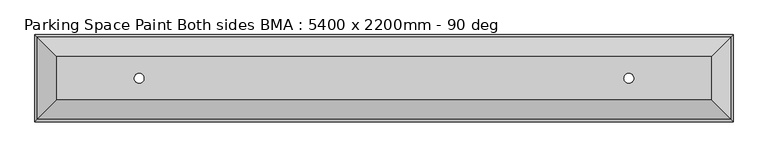
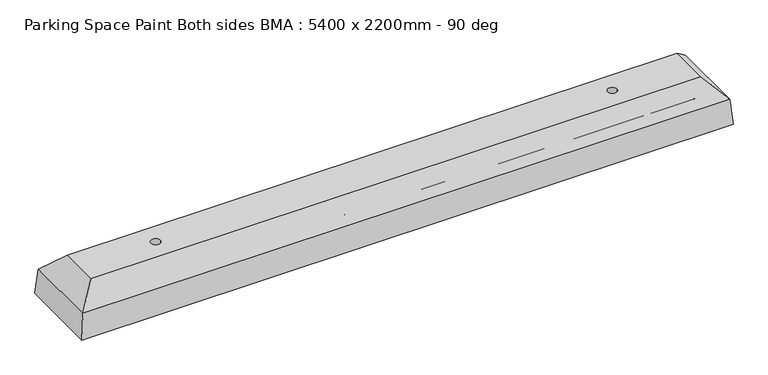
"""IFC4 building model written with IfcOpenShell, lengths in millimetres: proxy geometry, Parking Space Paint Both sides BMA : 5400 x 2200mm - 90 deg."""

import ifcopenshell
import ifcopenshell.guid

model = None  # the IFC model being written
_history = None  # IfcOwnerHistory: only IFC2X3 demands one
_inside = {}  # id of a spatial element -> (the spatial element, [elements in it])
_under = {}  # id of a project, library or spatial element -> (it, [spatial elements below it])
_declared = {}  # id of a project -> (the project, [libraries it declares])
_typed = {}  # id of a type object -> (the type object, [elements of that type])
_made_of = {}  # id of a material, layer set ... -> (it, [elements and type objects made of it])


def new_model(schema):
    """Start an empty IFC model of exactly this schema.

    Asked for "IFC4X3", IfcOpenShell would pick the latest addendum, in which some entities
    have other attributes; the version numbers below select the first issue.
    IFC2X3 requires an IfcOwnerHistory on every rooted entity: one is made here for all.
    """
    global model, _history
    if schema == "IFC4X3":
        model = ifcopenshell.file(schema_version=(4, 3, 0, 0))
    else:
        model = ifcopenshell.file(schema=schema)
    _inside.clear()
    _under.clear()
    _declared.clear()
    _typed.clear()
    _made_of.clear()
    _history = None
    if model.schema == "IFC2X3":
        org = make("IfcOrganization", Name="unknown")
        user = make(
            "IfcPersonAndOrganization",
            ThePerson=make("IfcPerson", FamilyName="unknown"),
            TheOrganization=org,
        )
        app = make(
            "IfcApplication",
            ApplicationDeveloper=org,
            Version="unknown",
            ApplicationFullName="unknown",
            ApplicationIdentifier="unknown",
        )
        _history = make(
            "IfcOwnerHistory",
            OwningUser=user,
            OwningApplication=app,
            ChangeAction="ADDED",
            CreationDate=0,
        )
    return model


def make(cls, **values):
    """One entity of the class cls with the attributes given. An attribute that is None is left unset."""
    return model.create_entity(
        cls, **{name: value for name, value in values.items() if value is not None}
    )


def rooted(cls, **values):
    """An entity with a GlobalId (a new one), such as an element, a storey or a relation."""
    return make(cls, GlobalId=ifcopenshell.guid.new(), OwnerHistory=_history, **values)


def si_unit(unit_type, name, prefix=None):
    """IfcSIUnit, for example si_unit("LENGTHUNIT", "METRE", prefix="MILLI")."""
    return make("IfcSIUnit", UnitType=unit_type, Prefix=prefix, Name=name)


def assignment(units):
    """IfcUnitAssignment: the units of a project."""
    return None if units is None else make("IfcUnitAssignment", Units=units)


def point(xyz):
    """IfcCartesianPoint."""
    return None if xyz is None else make("IfcCartesianPoint", Coordinates=xyz)


def direction(xyz):
    """IfcDirection."""
    return None if xyz is None else make("IfcDirection", DirectionRatios=xyz)


def frame(location, z_axis=None, x_axis=None):
    """IfcAxis2Placement3D, a coordinate frame: its origin and axes. An axis left out is left unset."""
    return make(
        "IfcAxis2Placement3D",
        Location=point(location),
        Axis=direction(z_axis),
        RefDirection=direction(x_axis),
    )


def frame_2d(location, x_axis=None):
    """IfcAxis2Placement2D, a coordinate frame in the plane: its origin and x axis."""
    return make(
        "IfcAxis2Placement2D", Location=point(location), RefDirection=direction(x_axis)
    )


def origin():
    """The frame at (0, 0, 0) with its axes left unset."""
    return frame((0.0, 0.0, 0.0))


def place(relative_to, where):
    """IfcLocalPlacement: puts the frame where relative to a parent placement (None: the world)."""
    return make(
        "IfcLocalPlacement", PlacementRelTo=relative_to, RelativePlacement=where
    )


def context(
    kind, dimensions, precision=None, world=None, true_north=None, identifier=None
):
    """IfcGeometricRepresentationContext, for example the 3D "Model" context."""
    return make(
        "IfcGeometricRepresentationContext",
        ContextIdentifier=identifier,
        ContextType=kind,
        CoordinateSpaceDimension=dimensions,
        Precision=precision,
        WorldCoordinateSystem=world,
        TrueNorth=true_north,
    )


def project(units=None, contexts=None):
    """IfcProject with its units and contexts."""
    return rooted(
        "IfcProject",
        Name="project",
        RepresentationContexts=contexts,
        UnitsInContext=assignment(units),
    )


def spatial(cls, under=None, at=None, **own):
    """A site, building, storey or space (cls), placed at a placement, below another one or the project."""
    s = rooted(cls, ObjectPlacement=at, **own)
    if under is not None:
        _under.setdefault(under.id(), (under, []))[1].append(s)
    return s


def polyline(points):
    """IfcPolyline through the points."""
    return make("IfcPolyline", Points=[point(p) for p in points])


def circle_curve(where, radius):
    """IfcCircle in the frame where."""
    return make("IfcCircle", Position=where, Radius=radius)


def trimmed(basis, trim1, trim2, sense, master):
    """IfcTrimmedCurve: the piece of a basis curve between two trims."""
    return make(
        "IfcTrimmedCurve",
        BasisCurve=basis,
        Trim1=trim1,
        Trim2=trim2,
        SenseAgreement=sense,
        MasterRepresentation=master,
    )


def segment(curve, same_sense, transition):
    """IfcCompositeCurveSegment."""
    return make(
        "IfcCompositeCurveSegment",
        Transition=transition,
        SameSense=same_sense,
        ParentCurve=curve,
    )


def composite_curve(segments, self_intersect=None):
    """IfcCompositeCurve: segments joined end to end."""
    return make("IfcCompositeCurve", Segments=segments, SelfIntersect=self_intersect)


def outline(outer, holes=None, kind="AREA"):
    """IfcArbitraryClosedProfileDef: a profile drawn as a closed curve; with holes, ...WithVoids."""
    if holes is None:
        return make("IfcArbitraryClosedProfileDef", ProfileType=kind, OuterCurve=outer)
    return make(
        "IfcArbitraryProfileDefWithVoids",
        ProfileType=kind,
        OuterCurve=outer,
        InnerCurves=holes,
    )


def extrude(swept, where, along, depth):
    """IfcExtrudedAreaSolid: the profile swept, set in the frame where, extruded along a direction by depth."""
    return make(
        "IfcExtrudedAreaSolid",
        SweptArea=swept,
        Position=where,
        ExtrudedDirection=direction(along),
        Depth=depth,
    )


def shape(context_of_items, identifier, shape_type, items):
    """IfcShapeRepresentation: the items that make up one representation, for example the "Body"."""
    return make(
        "IfcShapeRepresentation",
        ContextOfItems=context_of_items,
        RepresentationIdentifier=identifier,
        RepresentationType=shape_type,
        Items=items,
    )


def source(mapping_origin, context_of_items, identifier, shape_type, items):
    """IfcRepresentationMap: a shape defined once, which mapped items show again and again."""
    return make(
        "IfcRepresentationMap",
        MappingOrigin=mapping_origin,
        MappedRepresentation=shape(context_of_items, identifier, shape_type, items),
    )


def transform(
    local_origin,
    x_axis=None,
    y_axis=None,
    z_axis=None,
    scale=None,
    scale2=None,
    scale3=None,
    uniform=True,
):
    """IfcCartesianTransformationOperator3D, or its non-uniform kind. x_axis, y_axis, z_axis: its Axis1, 2, 3."""
    if uniform:
        return make(
            "IfcCartesianTransformationOperator3D",
            Axis1=direction(x_axis),
            Axis2=direction(y_axis),
            LocalOrigin=point(local_origin),
            Scale=scale,
            Axis3=direction(z_axis),
        )
    return make(
        "IfcCartesianTransformationOperator3DnonUniform",
        Axis1=direction(x_axis),
        Axis2=direction(y_axis),
        LocalOrigin=point(local_origin),
        Scale=scale,
        Axis3=direction(z_axis),
        Scale2=scale2,
        Scale3=scale3,
    )


def mapped(mapping_source, mapping_target):
    """IfcMappedItem: shows the shape of a source again, moved by a transform."""
    return make(
        "IfcMappedItem", MappingSource=mapping_source, MappingTarget=mapping_target
    )


def made_of(thing, what):
    """Note that an element or type object is made of a material, layer set ...; save() writes the relation."""
    if what is not None:
        _made_of.setdefault(what.id(), (what, []))[1].append(thing)
    return thing


def element(
    cls,
    number,
    at=None,
    inside=None,
    cuts=None,
    type_object=None,
    material=None,
    context=None,
    identifier="Body",
    shape_type=None,
    held_by="IfcProductDefinitionShape",
    body=None,
    shapes=None,
    **own,
):
    """One element of the class cls, such as IfcWall. Its Tag is "e" and its number.

    at: its placement. inside: the storey or other place that contains it. cuts: it is an
    opening in that element (IfcRelVoidsElement). A single representation is given by context,
    identifier, shape_type and body (its items); several are given by shapes. held_by: the class
    of the entity that holds the representations. save() writes the other relations.
    """
    e = rooted(cls, Tag="e%d" % number, ObjectPlacement=at, **own)
    if body is not None:
        shapes = [shape(context, identifier, shape_type, body)]
    if shapes is not None:
        e.Representation = make(held_by, Representations=shapes)
    if inside is not None:
        _inside.setdefault(inside.id(), (inside, []))[1].append(e)
    if cuts is not None:
        rooted(
            "IfcRelVoidsElement", RelatingBuildingElement=cuts, RelatedOpeningElement=e
        )
    if type_object is not None:
        _typed.setdefault(type_object.id(), (type_object, []))[1].append(e)
    return made_of(e, material)


def aggregate(whole, parts):
    """IfcRelAggregates: a whole, such as a stair, and the parts it consists of."""
    return rooted("IfcRelAggregates", RelatingObject=whole, RelatedObjects=parts)


def save(model, path):
    """Write the relations noted so far, then the file.

    IfcRelAggregates (storeys below a building ...), IfcRelContainedInSpatialStructure (elements
    in a storey), IfcRelDefinesByType, IfcRelAssociatesMaterial and IfcRelDeclares: one each for
    every whole, place, type object, material and project.
    """
    for whole, parts in _under.values():
        aggregate(whole, parts)
    for where, things in _inside.values():
        rooted(
            "IfcRelContainedInSpatialStructure",
            RelatedElements=things,
            RelatingStructure=where,
        )
    for kind, things in _typed.values():
        rooted("IfcRelDefinesByType", RelatedObjects=things, RelatingType=kind)
    for what, things in _made_of.values():
        rooted("IfcRelAssociatesMaterial", RelatedObjects=things, RelatingMaterial=what)
    for by, libraries in _declared.values():
        rooted("IfcRelDeclares", RelatingContext=by, RelatedDefinitions=libraries)
    model.write(path)


def plane_surface(at):
    """IfcPlane: the flat surface through the origin of the frame at, square to its z axis."""
    return make("IfcPlane", Position=at)


def revolved_surface(curve, axis_point, axis_direction):
    """IfcSurfaceOfRevolution: the curve turned about the line through axis_point along axis_direction."""
    return make(
        "IfcSurfaceOfRevolution",
        SweptCurve=make("IfcArbitraryOpenProfileDef", ProfileType="CURVE", Curve=curve),
        AxisPosition=make("IfcAxis1Placement", Location=point(axis_point), Axis=direction(axis_direction)),
    )


def advanced_brep(points, edges, surfaces, faces):
    """IfcAdvancedBrep: a solid bounded by faces that lie on surfaces and meet in shared edges.

    An edge is (start, end): straight between two places in points (the first is 0);
    or (start, end, curve); or (start, end, curve, False) where it runs against its curve.
    A face is (place in surfaces, loops), or (place, loops, False) where it looks against
    its surface's normal. A loop lists edges by number (the first is 1), with a minus sign
    where the edge is run from its end to its start. The first loop is the outer one.
    """
    corners = [point(p) for p in points]
    vertices = [make("IfcVertexPoint", VertexGeometry=c) for c in corners]
    made = []
    for start, end, *more in edges:
        made.append(
            make(
                "IfcEdgeCurve",
                EdgeStart=vertices[start],
                EdgeEnd=vertices[end],
                EdgeGeometry=more[0] if more else make("IfcPolyline", Points=[corners[start], corners[end]]),
                SameSense=more[1] if len(more) > 1 else True,
            )
        )
    hull = []
    for where, loops, *sense in faces:
        bounds = []
        for j, loop in enumerate(loops):
            ring = [make("IfcOrientedEdge", EdgeElement=made[abs(k) - 1], Orientation=k > 0) for k in loop]
            bounds.append(
                make(
                    "IfcFaceOuterBound" if j == 0 else "IfcFaceBound",
                    Bound=make("IfcEdgeLoop", EdgeList=ring),
                    Orientation=True,
                )
            )
        hull.append(make("IfcAdvancedFace", Bounds=bounds, FaceSurface=surfaces[where], SameSense=sense[0] if sense else True))
    return make("IfcAdvancedBrep", Outer=make("IfcClosedShell", CfsFaces=hull))


def parking_space_paint_both_sides_bma_5400_x_2200mm_90_deg_df43c763(model_context):
    return source(origin(), model_context, "Body", "SolidModel", [
        extrude(outline(composite_curve([segment(trimmed(circle_curve(frame_2d((957.15, 73.025)), 4.7625), [point((952.3875, 73.025))], [point((961.9125, 73.025))], False, "CARTESIAN"), True, "CONTINUOUS"), segment(trimmed(circle_curve(frame_2d((957.15, 73.025)), 4.7625), [point((961.9125, 73.025))], [point((952.3875, 73.025))], False, "CARTESIAN"), True, "CONTINUOUS")], self_intersect=False)), frame((261.8, 0.0, 0.0), z_axis=(1.0, 0.0, 0.0), x_axis=(0.0, 1.0, 0.0)), (0.0, 0.0, 1.0), 1676.4),
        extrude(outline(composite_curve([segment(trimmed(circle_curve(frame_2d((1071.45, 73.025)), 4.7625), [point((1076.2125, 73.025))], [point((1066.6875, 73.025))], False, "CARTESIAN"), True, "CONTINUOUS"), segment(trimmed(circle_curve(frame_2d((1071.45, 73.025)), 4.7625), [point((1066.6875, 73.025))], [point((1076.2125, 73.025))], False, "CARTESIAN"), True, "CONTINUOUS")], self_intersect=False)), frame((261.8, 0.0, 0.0), z_axis=(1.0, 0.0, 0.0), x_axis=(0.0, 1.0, 0.0)), (0.0, 0.0, 1.0), 1676.4),
        advanced_brep(
        [(2014.4, 900.0, 0.0), (2008.05, 906.35, 73.025), (191.95, 906.35, 73.025), (185.6, 900.0, 0.0), (1957.25, 957.15, 127.0), (242.75, 957.15, 127.0), (1957.25, 1071.45, 127.0), (242.75, 1071.45, 127.0), (471.35, 1014.3, 127.0), (445.95, 1014.3, 127.0), (1754.05, 1014.3, 127.0), (1728.65, 1014.3, 127.0), (2008.05, 1122.25, 73.025), (191.95, 1122.25, 73.025), (185.6, 1128.6, 0.0), (2014.4, 1128.6, 0.0), (445.95, 1014.3, 0.0), (471.35, 1014.3, 0.0), (1728.65, 1014.3, 0.0), (1754.05, 1014.3, 0.0)],
        [
            (0, 1),
            (1, 2),
            (2, 3),
            (3, 0),
            (1, 4),
            (4, 5),
            (5, 2),
            (4, 6),
            (6, 7),
            (7, 5),
            (8, 9, circle_curve(frame((458.65, 1014.3, 127.0), z_axis=(0.0, 0.0, -1.0), x_axis=(1.0, 0.0, 0.0)), 12.7)),
            (9, 8, circle_curve(frame((458.65, 1014.3, 127.0), z_axis=(0.0, 0.0, -1.0), x_axis=(1.0, 0.0, 0.0)), 12.7)),
            (10, 11, circle_curve(frame((1741.35, 1014.3, 127.0), z_axis=(0.0, 0.0, -1.0), x_axis=(1.0, 0.0, 0.0)), 12.7)),
            (11, 10, circle_curve(frame((1741.35, 1014.3, 127.0), z_axis=(0.0, 0.0, -1.0), x_axis=(1.0, 0.0, 0.0)), 12.7)),
            (6, 12),
            (12, 13),
            (13, 7),
            (14, 13),
            (12, 15),
            (15, 14),
            (3, 14),
            (15, 0),
            (16, 17, circle_curve(frame((458.65, 1014.3, 0.0), z_axis=(0.0, 0.0, 1.0), x_axis=(1.0, 0.0, 0.0)), 12.7)),
            (17, 16, circle_curve(frame((458.65, 1014.3, 0.0), z_axis=(0.0, 0.0, 1.0), x_axis=(1.0, 0.0, 0.0)), 12.7)),
            (18, 19, circle_curve(frame((1741.35, 1014.3, 0.0), z_axis=(0.0, 0.0, 1.0), x_axis=(1.0, 0.0, 0.0)), 12.7)),
            (19, 18, circle_curve(frame((1741.35, 1014.3, 0.0), z_axis=(0.0, 0.0, 1.0), x_axis=(1.0, 0.0, 0.0)), 12.7)),
            (9, 16),
            (17, 8),
            (11, 18),
            (19, 10),
            (2, 13),
            (12, 1),
        ],
        [
            plane_surface(frame((2014.4, 900.0, 0.0), z_axis=(0.0, -0.9962405881957591, 0.08662961636396628), x_axis=(-1.0, 0.0, 0.0))),
            plane_surface(frame((2014.4, 906.35, 73.025), z_axis=(0.0, -0.7281999926923756, 0.6853646990054449), x_axis=(-1.0, 0.0, 0.0))),
            plane_surface(frame((2014.4, 957.15, 127.0), z_axis=(0.0, 0.0, 1.0), x_axis=(-1.0, 0.0, 0.0))),
            plane_surface(frame((2014.4, 1071.45, 127.0), z_axis=(0.0, 0.7281999926928107, 0.6853646990049826), x_axis=(-1.0, 0.0, 0.0))),
            plane_surface(frame((2014.4, 1122.25, 73.025), z_axis=(0.0, 0.9962405881956826, 0.08662961636484577), x_axis=(-1.0, 0.0, 0.0))),
            plane_surface(frame((2014.4, 1128.6, 0.0), z_axis=(0.0, 0.0, -1.0), x_axis=(-1.0, 0.0, 0.0))),
            revolved_surface(polyline([(471.34999999999997, 1014.3, 127.0), (471.34999999999997, 1014.3, 0.0)]), (458.65, 1014.3, 0.0), (0.0, 0.0, 1.0)),
            revolved_surface(polyline([(1754.05, 1014.3, 127.0), (1754.05, 1014.3, 0.0)]), (1741.35, 1014.3, 0.0), (0.0, 0.0, 1.0)),
            plane_surface(frame((191.95, 900.0, 73.025), z_axis=(-0.996240588195701, 0.0, 0.08662961636463416), x_axis=(0.0, 1.0, 0.0))),
            plane_surface(frame((242.75, 900.0, 127.0), z_axis=(-0.7281999926925252, 0.0, 0.685364699005286), x_axis=(0.0, 1.0, 0.0))),
            plane_surface(frame((2014.4, 900.0, 0.0), z_axis=(0.9962405881957032, 0.0, 0.08662961636461013), x_axis=(0.0, 1.0, 0.0))),
            plane_surface(frame((2008.05, 900.0, 73.025), z_axis=(0.7281999926925392, 0.0, 0.6853646990052711), x_axis=(0.0, 1.0, 0.0))),
        ],
        [
            (0, [[1, 2, 3, 4]]),
            (1, [[-2, 5, 6, 7]]),
            (2, [[-6, 8, 9, 10], [11, 12], [13, 14]]),
            (3, [[-9, 15, 16, 17]]),
            (4, [[18, -16, 19, 20]]),
            (5, [[21, -20, 22, -4], [23, 24], [25, 26]]),
            (6, [[-12, 27, -24, 28]]),
            (6, [[-23, -27, -11, -28]]),
            (7, [[-14, 29, -26, 30]]),
            (7, [[-25, -29, -13, -30]]),
            (8, [[-18, -21, -3, 31]]),
            (9, [[-7, -10, -17, -31]]),
            (10, [[-1, -22, -19, 32]]),
            (11, [[-15, -8, -5, -32]]),
        ],
    ),
    ])


if __name__ == "__main__":
    model = new_model("IFC4")
    model_context = context("Model", 3, world=origin())
    ifc_project = project(units=[si_unit("LENGTHUNIT", "METRE", prefix="MILLI")], contexts=[model_context])
    site = spatial("IfcSite", under=ifc_project)
    building = spatial("IfcBuilding", under=site)
    placement = place(None, origin())
    parking_space_paint_both_sides_bma_5400_x_2200mm_90_deg_shape = parking_space_paint_both_sides_bma_5400_x_2200mm_90_deg_df43c763(model_context)
    element("IfcBuildingElementProxy", 1, Name="Parking Space Paint Both sides BMA : 5400 x 2200mm - 90 deg", ObjectType="Parking Space Paint Both sides BMA : 5400 x 2200mm - 90 deg", at=placement, inside=building, context=model_context, shape_type="MappedRepresentation", body=[
        mapped(parking_space_paint_both_sides_bma_5400_x_2200mm_90_deg_shape, transform((0.0, 0.0, 0.0), x_axis=(1.0, 0.0, 0.0), y_axis=(0.0, 1.0, 0.0), z_axis=(0.0, 0.0, 1.0))),
    ])
    save(model, "model.ifc")
